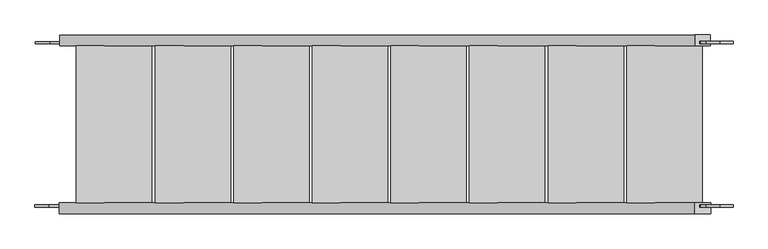
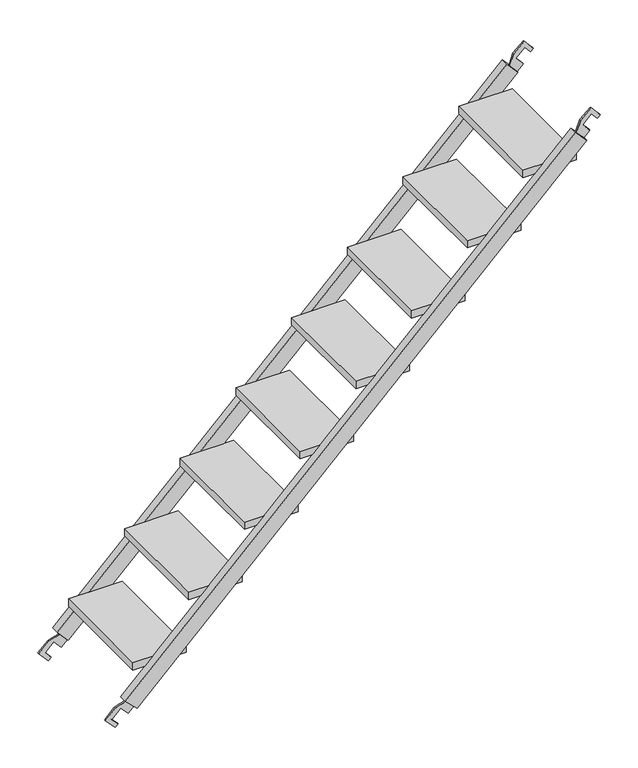
"""IFC4 building model written with IfcOpenShell, lengths in millimetres: proxy geometry."""

import ifcopenshell
import ifcopenshell.guid

model = None  # the IFC model being written
_history = None  # IfcOwnerHistory: only IFC2X3 demands one
_inside = {}  # id of a spatial element -> (the spatial element, [elements in it])
_under = {}  # id of a project, library or spatial element -> (it, [spatial elements below it])
_declared = {}  # id of a project -> (the project, [libraries it declares])
_typed = {}  # id of a type object -> (the type object, [elements of that type])
_made_of = {}  # id of a material, layer set ... -> (it, [elements and type objects made of it])


def new_model(schema):
    """Start an empty IFC model of exactly this schema.

    Asked for "IFC4X3", IfcOpenShell would pick the latest addendum, in which some entities
    have other attributes; the version numbers below select the first issue.
    IFC2X3 requires an IfcOwnerHistory on every rooted entity: one is made here for all.
    """
    global model, _history
    if schema == "IFC4X3":
        model = ifcopenshell.file(schema_version=(4, 3, 0, 0))
    else:
        model = ifcopenshell.file(schema=schema)
    _inside.clear()
    _under.clear()
    _declared.clear()
    _typed.clear()
    _made_of.clear()
    _history = None
    if model.schema == "IFC2X3":
        org = make("IfcOrganization", Name="unknown")
        user = make(
            "IfcPersonAndOrganization",
            ThePerson=make("IfcPerson", FamilyName="unknown"),
            TheOrganization=org,
        )
        app = make(
            "IfcApplication",
            ApplicationDeveloper=org,
            Version="unknown",
            ApplicationFullName="unknown",
            ApplicationIdentifier="unknown",
        )
        _history = make(
            "IfcOwnerHistory",
            OwningUser=user,
            OwningApplication=app,
            ChangeAction="ADDED",
            CreationDate=0,
        )
    return model


def make(cls, **values):
    """One entity of the class cls with the attributes given. An attribute that is None is left unset."""
    return model.create_entity(
        cls, **{name: value for name, value in values.items() if value is not None}
    )


def rooted(cls, **values):
    """An entity with a GlobalId (a new one), such as an element, a storey or a relation."""
    return make(cls, GlobalId=ifcopenshell.guid.new(), OwnerHistory=_history, **values)


def si_unit(unit_type, name, prefix=None):
    """IfcSIUnit, for example si_unit("LENGTHUNIT", "METRE", prefix="MILLI")."""
    return make("IfcSIUnit", UnitType=unit_type, Prefix=prefix, Name=name)


def assignment(units):
    """IfcUnitAssignment: the units of a project."""
    return None if units is None else make("IfcUnitAssignment", Units=units)


def point(xyz):
    """IfcCartesianPoint."""
    return None if xyz is None else make("IfcCartesianPoint", Coordinates=xyz)


def direction(xyz):
    """IfcDirection."""
    return None if xyz is None else make("IfcDirection", DirectionRatios=xyz)


def frame(location, z_axis=None, x_axis=None):
    """IfcAxis2Placement3D, a coordinate frame: its origin and axes. An axis left out is left unset."""
    return make(
        "IfcAxis2Placement3D",
        Location=point(location),
        Axis=direction(z_axis),
        RefDirection=direction(x_axis),
    )


def origin():
    """The frame at (0, 0, 0) with its axes left unset."""
    return frame((0.0, 0.0, 0.0))


def place(relative_to, where):
    """IfcLocalPlacement: puts the frame where relative to a parent placement (None: the world)."""
    return make(
        "IfcLocalPlacement", PlacementRelTo=relative_to, RelativePlacement=where
    )


def context(
    kind, dimensions, precision=None, world=None, true_north=None, identifier=None
):
    """IfcGeometricRepresentationContext, for example the 3D "Model" context."""
    return make(
        "IfcGeometricRepresentationContext",
        ContextIdentifier=identifier,
        ContextType=kind,
        CoordinateSpaceDimension=dimensions,
        Precision=precision,
        WorldCoordinateSystem=world,
        TrueNorth=true_north,
    )


def project(units=None, contexts=None):
    """IfcProject with its units and contexts."""
    return rooted(
        "IfcProject",
        Name="project",
        RepresentationContexts=contexts,
        UnitsInContext=assignment(units),
    )


def spatial(cls, under=None, at=None, **own):
    """A site, building, storey or space (cls), placed at a placement, below another one or the project."""
    s = rooted(cls, ObjectPlacement=at, **own)
    if under is not None:
        _under.setdefault(under.id(), (under, []))[1].append(s)
    return s


def polyline(points):
    """IfcPolyline through the points."""
    return make("IfcPolyline", Points=[point(p) for p in points])


def outline(outer, holes=None, kind="AREA"):
    """IfcArbitraryClosedProfileDef: a profile drawn as a closed curve; with holes, ...WithVoids."""
    if holes is None:
        return make("IfcArbitraryClosedProfileDef", ProfileType=kind, OuterCurve=outer)
    return make(
        "IfcArbitraryProfileDefWithVoids",
        ProfileType=kind,
        OuterCurve=outer,
        InnerCurves=holes,
    )


def extrude(swept, where, along, depth):
    """IfcExtrudedAreaSolid: the profile swept, set in the frame where, extruded along a direction by depth."""
    return make(
        "IfcExtrudedAreaSolid",
        SweptArea=swept,
        Position=where,
        ExtrudedDirection=direction(along),
        Depth=depth,
    )


def shape(context_of_items, identifier, shape_type, items):
    """IfcShapeRepresentation: the items that make up one representation, for example the "Body"."""
    return make(
        "IfcShapeRepresentation",
        ContextOfItems=context_of_items,
        RepresentationIdentifier=identifier,
        RepresentationType=shape_type,
        Items=items,
    )


def source(mapping_origin, context_of_items, identifier, shape_type, items):
    """IfcRepresentationMap: a shape defined once, which mapped items show again and again."""
    return make(
        "IfcRepresentationMap",
        MappingOrigin=mapping_origin,
        MappedRepresentation=shape(context_of_items, identifier, shape_type, items),
    )


def transform(
    local_origin,
    x_axis=None,
    y_axis=None,
    z_axis=None,
    scale=None,
    scale2=None,
    scale3=None,
    uniform=True,
):
    """IfcCartesianTransformationOperator3D, or its non-uniform kind. x_axis, y_axis, z_axis: its Axis1, 2, 3."""
    if uniform:
        return make(
            "IfcCartesianTransformationOperator3D",
            Axis1=direction(x_axis),
            Axis2=direction(y_axis),
            LocalOrigin=point(local_origin),
            Scale=scale,
            Axis3=direction(z_axis),
        )
    return make(
        "IfcCartesianTransformationOperator3DnonUniform",
        Axis1=direction(x_axis),
        Axis2=direction(y_axis),
        LocalOrigin=point(local_origin),
        Scale=scale,
        Axis3=direction(z_axis),
        Scale2=scale2,
        Scale3=scale3,
    )


def mapped(mapping_source, mapping_target):
    """IfcMappedItem: shows the shape of a source again, moved by a transform."""
    return make(
        "IfcMappedItem", MappingSource=mapping_source, MappingTarget=mapping_target
    )


def made_of(thing, what):
    """Note that an element or type object is made of a material, layer set ...; save() writes the relation."""
    if what is not None:
        _made_of.setdefault(what.id(), (what, []))[1].append(thing)
    return thing


def element(
    cls,
    number,
    at=None,
    inside=None,
    cuts=None,
    type_object=None,
    material=None,
    context=None,
    identifier="Body",
    shape_type=None,
    held_by="IfcProductDefinitionShape",
    body=None,
    shapes=None,
    **own,
):
    """One element of the class cls, such as IfcWall. Its Tag is "e" and its number.

    at: its placement. inside: the storey or other place that contains it. cuts: it is an
    opening in that element (IfcRelVoidsElement). A single representation is given by context,
    identifier, shape_type and body (its items); several are given by shapes. held_by: the class
    of the entity that holds the representations. save() writes the other relations.
    """
    e = rooted(cls, Tag="e%d" % number, ObjectPlacement=at, **own)
    if body is not None:
        shapes = [shape(context, identifier, shape_type, body)]
    if shapes is not None:
        e.Representation = make(held_by, Representations=shapes)
    if inside is not None:
        _inside.setdefault(inside.id(), (inside, []))[1].append(e)
    if cuts is not None:
        rooted(
            "IfcRelVoidsElement", RelatingBuildingElement=cuts, RelatedOpeningElement=e
        )
    if type_object is not None:
        _typed.setdefault(type_object.id(), (type_object, []))[1].append(e)
    return made_of(e, material)


def aggregate(whole, parts):
    """IfcRelAggregates: a whole, such as a stair, and the parts it consists of."""
    return rooted("IfcRelAggregates", RelatingObject=whole, RelatedObjects=parts)


def save(model, path):
    """Write the relations noted so far, then the file.

    IfcRelAggregates (storeys below a building ...), IfcRelContainedInSpatialStructure (elements
    in a storey), IfcRelDefinesByType, IfcRelAssociatesMaterial and IfcRelDeclares: one each for
    every whole, place, type object, material and project.
    """
    for whole, parts in _under.values():
        aggregate(whole, parts)
    for where, things in _inside.values():
        rooted(
            "IfcRelContainedInSpatialStructure",
            RelatedElements=things,
            RelatingStructure=where,
        )
    for kind, things in _typed.values():
        rooted("IfcRelDefinesByType", RelatedObjects=things, RelatingType=kind)
    for what, things in _made_of.values():
        rooted("IfcRelAssociatesMaterial", RelatedObjects=things, RelatingMaterial=what)
    for by, libraries in _declared.values():
        rooted("IfcRelDeclares", RelatingContext=by, RelatedDefinitions=libraries)
    model.write(path)


def generic_models_50a254bb(model_context):
    return source(origin(), model_context, "Body", "SweptSolid", [
        extrude(outline(polyline([(264.2649, 12.0), (56.3409, 12.0), (56.3409, 444.0), (264.2649, 444.0), (264.2649, 12.0)])), frame((0.0, 0.0, 163.4028503), z_axis=(0.0, 0.0, 1.0), x_axis=(1.0, 0.0, 0.0)), (0.0, 0.0, 1.0), 30.0),
        extrude(outline(polyline([(481.6520835, 12.0), (273.7280835, 12.0), (273.7280835, 444.0), (481.6520835, 444.0), (481.6520835, 12.0)])), frame((0.0, 0.0, 376.4028503), z_axis=(0.0, 0.0, 1.0), x_axis=(1.0, 0.0, 0.0)), (0.0, 0.0, 1.0), 30.0),
        extrude(outline(polyline([(698.0837528, 12.0), (490.1597528, 12.0), (490.1597528, 444.0), (698.0837528, 444.0), (698.0837528, 12.0)])), frame((0.0, 0.0, 589.4028503), z_axis=(0.0, 0.0, 1.0), x_axis=(1.0, 0.0, 0.0)), (0.0, 0.0, 1.0), 30.0),
        extrude(outline(polyline([(914.515422, 12.0), (706.591422, 12.0), (706.591422, 444.0), (914.515422, 444.0), (914.515422, 12.0)])), frame((0.0, 0.0, 802.4028503), z_axis=(0.0, 0.0, 1.0), x_axis=(1.0, 0.0, 0.0)), (0.0, 0.0, 1.0), 30.0),
        extrude(outline(polyline([(1130.9470913, 12.0), (923.0230913, 12.0), (923.0230913, 444.0), (1130.9470913, 444.0), (1130.9470913, 12.0)])), frame((0.0, 0.0, 1015.4028503), z_axis=(0.0, 0.0, 1.0), x_axis=(1.0, 0.0, 0.0)), (0.0, 0.0, 1.0), 30.0),
        extrude(outline(polyline([(1347.3787605, 12.0), (1139.4547605, 12.0), (1139.4547605, 444.0), (1347.3787605, 444.0), (1347.3787605, 12.0)])), frame((0.0, 0.0, 1228.4028503), z_axis=(0.0, 0.0, 1.0), x_axis=(1.0, 0.0, 0.0)), (0.0, 0.0, 1.0), 30.0),
        extrude(outline(polyline([(1563.8104298, 12.0), (1355.8864298, 12.0), (1355.8864298, 444.0), (1563.8104298, 444.0), (1563.8104298, 12.0)])), frame((0.0, 0.0, 1441.4028503), z_axis=(0.0, 0.0, 1.0), x_axis=(1.0, 0.0, 0.0)), (0.0, 0.0, 1.0), 30.0),
        extrude(outline(polyline([(1780.2420991, 12.0), (1572.3180991, 12.0), (1572.3180991, 444.0), (1780.2420991, 444.0), (1780.2420991, 12.0)])), frame((0.0, 0.0, 1654.4028503), z_axis=(0.0, 0.0, 1.0), x_axis=(1.0, 0.0, 0.0)), (0.0, 0.0, 1.0), 30.0),
        extrude(outline(polyline([(41.3677594, -16.6642649), (4.6236424, -56.2535189), (-37.1272942, -19.1916931), (-26.4689427, -8.3616443), (-0.2593319, -31.6276154), (33.3256562, 2.498425), (0.7509845, 31.4145877), (23.7237721, 54.7574701), (56.6234772, 25.5528975), (55.1178036, 23.998337), (41.3677594, -16.6642649)])), frame((0.0, 450.0, 0.0), z_axis=(0.0, 1.0, 0.0), x_axis=(0.0, 0.0, 1.0)), (0.0, 0.0, 1.0), 6.0),
        extrude(outline(polyline([(1821.4520533, 1789.8999943), (1778.5071316, 1775.1532776), (1776.9756116, 1773.6217152), (1744.0758272, 1802.8263582), (1767.0428332, 1826.1633532), (1799.6176696, 1797.2472073), (1832.3852931, 1832.3433685), (1807.1214395, 1854.7696741), (1817.6571225, 1865.4750927), (1857.3005283, 1830.2842963), (1821.4520533, 1789.8999943)])), frame((0.0, 450.0, 0.0), z_axis=(0.0, 1.0, 0.0), x_axis=(0.0, 0.0, 1.0)), (0.0, 0.0, 1.0), 6.0),
        extrude(outline(polyline([(23.7237658, 54.757475), (1744.0758364, 1802.82635), (1792.750889, 1759.6182391), (72.398791, 11.5493884), (23.7237658, 54.757475)])), frame((0.0, 444.0, 0.0), z_axis=(0.0, 1.0, 0.0), x_axis=(0.0, 0.0, 1.0)), (0.0, 0.0, 1.0), 30.0),
        extrude(outline(polyline([(40.4562505, -18.7691511), (2.5787145, -57.256776), (-36.6216005, -18.6778522), (-25.9773466, -7.8621281), (-1.0316584, -32.4123849), (32.5089082, 1.6685183), (1.5051055, 32.1808584), (24.4475076, 55.4928658), (55.7606724, 24.6761919), (54.2563839, 23.1230389), (40.4562505, -18.7691511)])), frame((0.0, 0.0, 0.0), z_axis=(0.0, 1.0, 0.0), x_axis=(0.0, 0.0, 1.0)), (0.0, 0.0, 1.0), 6.0),
        extrude(outline(polyline([(1821.4520533, 1789.8999943), (1778.5071316, 1775.1532776), (1776.9756116, 1773.6217152), (1744.0758272, 1802.8263582), (1767.0428332, 1826.1633532), (1799.6176696, 1797.2472073), (1833.3311192, 1831.503773), (1807.1214395, 1854.7696741), (1817.6571225, 1865.4750927), (1857.3005283, 1830.2842963), (1821.4520533, 1789.8999943)])), frame((0.0, 0.0, 0.0), z_axis=(0.0, 1.0, 0.0), x_axis=(0.0, 0.0, 1.0)), (0.0, 0.0, 1.0), 6.0),
        extrude(outline(polyline([(24.447502, 55.4928714), (1744.9049179, 1803.6687889), (1791.2326869, 1758.0755772), (70.775245, 9.8996853), (24.447502, 55.4928714)])), frame((0.0, -18.0, 0.0), z_axis=(0.0, 1.0, 0.0), x_axis=(0.0, 0.0, 1.0)), (0.0, 0.0, 1.0), 30.0),
    ])


if __name__ == "__main__":
    model = new_model("IFC4")
    model_context = context("Model", 3, world=origin())
    ifc_project = project(units=[si_unit("LENGTHUNIT", "METRE", prefix="MILLI")], contexts=[model_context])
    site = spatial("IfcSite", under=ifc_project)
    building = spatial("IfcBuilding", under=site)
    placement = place(None, origin())
    generic_models_shape = generic_models_50a254bb(model_context)
    element("IfcBuildingElementProxy", 1, Name="Generic Models", at=placement, inside=building, context=model_context, shape_type="MappedRepresentation", body=[
        mapped(generic_models_shape, transform((0.0, 0.0, 0.0), x_axis=(1.0, 0.0, 0.0), y_axis=(0.0, 1.0, 0.0), z_axis=(0.0, 0.0, 1.0))),
    ])
    save(model, "model.ifc")
